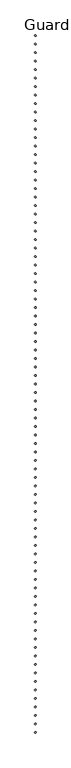
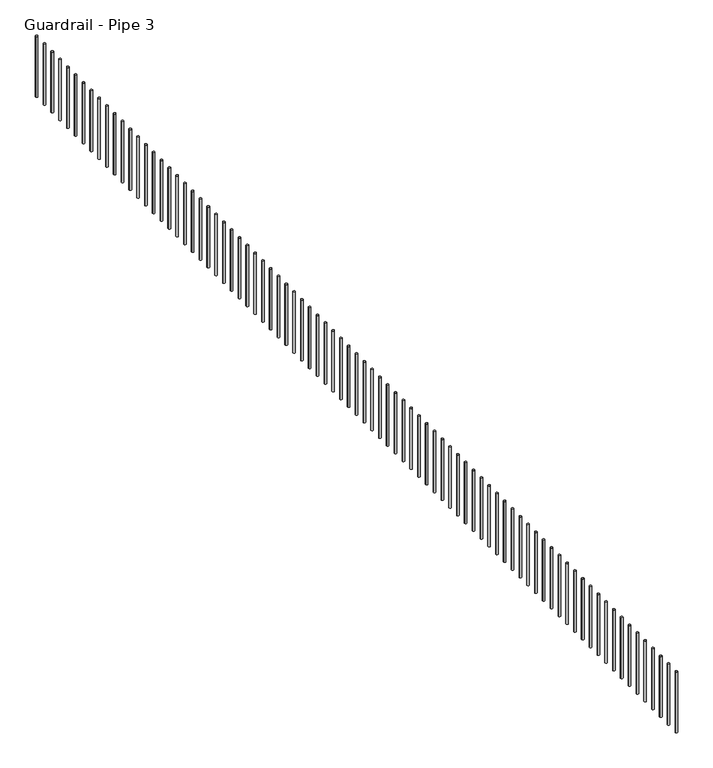
"""IFC4 building model written with IfcOpenShell, lengths in millimetres: railing geometry, Guardrail - Pipe 3."""

from ifc_helpers import new_model, si_unit, point, frame, frame_2d, origin, place, context, project, spatial, circle_curve, trimmed, segment, composite_curve, outline, extrude, source, transform, mapped, element, save


def guardrail_pipe_3_0e348c40(model_context):
    return source(origin(), model_context, "Body", "SweptSolid", [
        extrude(outline(composite_curve([segment(trimmed(circle_curve(frame_2d((239010.323562, -546313.9360133)), 12.7), [point((238997.623562, -546313.9360133))], [point((239023.023562, -546313.9360133))], False, "CARTESIAN"), True, "CONTINUOUS"), segment(trimmed(circle_curve(frame_2d((239010.323562, -546313.9360133)), 12.7), [point((239023.023562, -546313.9360133))], [point((238997.623562, -546313.9360133))], False, "CARTESIAN"), True, "CONTINUOUS")], self_intersect=False)), frame((0.0, 0.0, 4267.2), z_axis=(0.0, 0.0, 1.0), x_axis=(1.0, 0.0, 0.0)), (0.0, 0.0, 1.0), 723.9),
        extrude(outline(composite_curve([segment(trimmed(circle_curve(frame_2d((239010.323562, -546466.3360133)), 12.7), [point((238997.623562, -546466.3360133))], [point((239023.023562, -546466.3360133))], False, "CARTESIAN"), True, "CONTINUOUS"), segment(trimmed(circle_curve(frame_2d((239010.323562, -546466.3360133)), 12.7), [point((239023.023562, -546466.3360133))], [point((238997.623562, -546466.3360133))], False, "CARTESIAN"), True, "CONTINUOUS")], self_intersect=False)), frame((0.0, 0.0, 4267.2), z_axis=(0.0, 0.0, 1.0), x_axis=(1.0, 0.0, 0.0)), (0.0, 0.0, 1.0), 723.9),
        extrude(outline(composite_curve([segment(trimmed(circle_curve(frame_2d((239010.323562, -546618.7360133)), 12.7), [point((238997.623562, -546618.7360133))], [point((239023.023562, -546618.7360133))], False, "CARTESIAN"), True, "CONTINUOUS"), segment(trimmed(circle_curve(frame_2d((239010.323562, -546618.7360133)), 12.7), [point((239023.023562, -546618.7360133))], [point((238997.623562, -546618.7360133))], False, "CARTESIAN"), True, "CONTINUOUS")], self_intersect=False)), frame((0.0, 0.0, 4267.2), z_axis=(0.0, 0.0, 1.0), x_axis=(1.0, 0.0, 0.0)), (0.0, 0.0, 1.0), 723.9),
        extrude(outline(composite_curve([segment(trimmed(circle_curve(frame_2d((239010.323562, -546771.1360133)), 12.7), [point((238997.623562, -546771.1360133))], [point((239023.023562, -546771.1360133))], False, "CARTESIAN"), True, "CONTINUOUS"), segment(trimmed(circle_curve(frame_2d((239010.323562, -546771.1360133)), 12.7), [point((239023.023562, -546771.1360133))], [point((238997.623562, -546771.1360133))], False, "CARTESIAN"), True, "CONTINUOUS")], self_intersect=False)), frame((0.0, 0.0, 4267.2), z_axis=(0.0, 0.0, 1.0), x_axis=(1.0, 0.0, 0.0)), (0.0, 0.0, 1.0), 723.9),
        extrude(outline(composite_curve([segment(trimmed(circle_curve(frame_2d((239010.323562, -546923.5360133)), 12.7), [point((238997.623562, -546923.5360133))], [point((239023.023562, -546923.5360133))], False, "CARTESIAN"), True, "CONTINUOUS"), segment(trimmed(circle_curve(frame_2d((239010.323562, -546923.5360133)), 12.7), [point((239023.023562, -546923.5360133))], [point((238997.623562, -546923.5360133))], False, "CARTESIAN"), True, "CONTINUOUS")], self_intersect=False)), frame((0.0, 0.0, 4267.2), z_axis=(0.0, 0.0, 1.0), x_axis=(1.0, 0.0, 0.0)), (0.0, 0.0, 1.0), 723.9),
        extrude(outline(composite_curve([segment(trimmed(circle_curve(frame_2d((239010.323562, -547075.9360133)), 12.7), [point((238997.623562, -547075.9360133))], [point((239023.023562, -547075.9360133))], False, "CARTESIAN"), True, "CONTINUOUS"), segment(trimmed(circle_curve(frame_2d((239010.323562, -547075.9360133)), 12.7), [point((239023.023562, -547075.9360133))], [point((238997.623562, -547075.9360133))], False, "CARTESIAN"), True, "CONTINUOUS")], self_intersect=False)), frame((0.0, 0.0, 4267.2), z_axis=(0.0, 0.0, 1.0), x_axis=(1.0, 0.0, 0.0)), (0.0, 0.0, 1.0), 723.9),
        extrude(outline(composite_curve([segment(trimmed(circle_curve(frame_2d((239010.323562, -547228.3360133)), 12.7), [point((238997.623562, -547228.3360133))], [point((239023.023562, -547228.3360133))], False, "CARTESIAN"), True, "CONTINUOUS"), segment(trimmed(circle_curve(frame_2d((239010.323562, -547228.3360133)), 12.7), [point((239023.023562, -547228.3360133))], [point((238997.623562, -547228.3360133))], False, "CARTESIAN"), True, "CONTINUOUS")], self_intersect=False)), frame((0.0, 0.0, 4267.2), z_axis=(0.0, 0.0, 1.0), x_axis=(1.0, 0.0, 0.0)), (0.0, 0.0, 1.0), 723.9),
        extrude(outline(composite_curve([segment(trimmed(circle_curve(frame_2d((239010.323562, -547380.7360133)), 12.7), [point((238997.623562, -547380.7360133))], [point((239023.023562, -547380.7360133))], False, "CARTESIAN"), True, "CONTINUOUS"), segment(trimmed(circle_curve(frame_2d((239010.323562, -547380.7360133)), 12.7), [point((239023.023562, -547380.7360133))], [point((238997.623562, -547380.7360133))], False, "CARTESIAN"), True, "CONTINUOUS")], self_intersect=False)), frame((0.0, 0.0, 4267.2), z_axis=(0.0, 0.0, 1.0), x_axis=(1.0, 0.0, 0.0)), (0.0, 0.0, 1.0), 723.9),
        extrude(outline(composite_curve([segment(trimmed(circle_curve(frame_2d((239010.323562, -547533.1360133)), 12.7), [point((238997.623562, -547533.1360133))], [point((239023.023562, -547533.1360133))], False, "CARTESIAN"), True, "CONTINUOUS"), segment(trimmed(circle_curve(frame_2d((239010.323562, -547533.1360133)), 12.7), [point((239023.023562, -547533.1360133))], [point((238997.623562, -547533.1360133))], False, "CARTESIAN"), True, "CONTINUOUS")], self_intersect=False)), frame((0.0, 0.0, 4267.2), z_axis=(0.0, 0.0, 1.0), x_axis=(1.0, 0.0, 0.0)), (0.0, 0.0, 1.0), 723.9),
        extrude(outline(composite_curve([segment(trimmed(circle_curve(frame_2d((239010.323562, -547685.5360133)), 12.7), [point((238997.623562, -547685.5360133))], [point((239023.023562, -547685.5360133))], False, "CARTESIAN"), True, "CONTINUOUS"), segment(trimmed(circle_curve(frame_2d((239010.323562, -547685.5360133)), 12.7), [point((239023.023562, -547685.5360133))], [point((238997.623562, -547685.5360133))], False, "CARTESIAN"), True, "CONTINUOUS")], self_intersect=False)), frame((0.0, 0.0, 4267.2), z_axis=(0.0, 0.0, 1.0), x_axis=(1.0, 0.0, 0.0)), (0.0, 0.0, 1.0), 723.9),
        extrude(outline(composite_curve([segment(trimmed(circle_curve(frame_2d((239010.323562, -547837.9360133)), 12.7), [point((238997.623562, -547837.9360133))], [point((239023.023562, -547837.9360133))], False, "CARTESIAN"), True, "CONTINUOUS"), segment(trimmed(circle_curve(frame_2d((239010.323562, -547837.9360133)), 12.7), [point((239023.023562, -547837.9360133))], [point((238997.623562, -547837.9360133))], False, "CARTESIAN"), True, "CONTINUOUS")], self_intersect=False)), frame((0.0, 0.0, 4267.2), z_axis=(0.0, 0.0, 1.0), x_axis=(1.0, 0.0, 0.0)), (0.0, 0.0, 1.0), 723.9),
        extrude(outline(composite_curve([segment(trimmed(circle_curve(frame_2d((239010.323562, -547990.3360133)), 12.7), [point((238997.623562, -547990.3360133))], [point((239023.023562, -547990.3360133))], False, "CARTESIAN"), True, "CONTINUOUS"), segment(trimmed(circle_curve(frame_2d((239010.323562, -547990.3360133)), 12.7), [point((239023.023562, -547990.3360133))], [point((238997.623562, -547990.3360133))], False, "CARTESIAN"), True, "CONTINUOUS")], self_intersect=False)), frame((0.0, 0.0, 4267.2), z_axis=(0.0, 0.0, 1.0), x_axis=(1.0, 0.0, 0.0)), (0.0, 0.0, 1.0), 723.9),
        extrude(outline(composite_curve([segment(trimmed(circle_curve(frame_2d((239010.323562, -548142.7360133)), 12.7), [point((238997.623562, -548142.7360133))], [point((239023.023562, -548142.7360133))], False, "CARTESIAN"), True, "CONTINUOUS"), segment(trimmed(circle_curve(frame_2d((239010.323562, -548142.7360133)), 12.7), [point((239023.023562, -548142.7360133))], [point((238997.623562, -548142.7360133))], False, "CARTESIAN"), True, "CONTINUOUS")], self_intersect=False)), frame((0.0, 0.0, 4267.2), z_axis=(0.0, 0.0, 1.0), x_axis=(1.0, 0.0, 0.0)), (0.0, 0.0, 1.0), 723.9),
        extrude(outline(composite_curve([segment(trimmed(circle_curve(frame_2d((239010.323562, -548295.1360133)), 12.7), [point((238997.623562, -548295.1360133))], [point((239023.023562, -548295.1360133))], False, "CARTESIAN"), True, "CONTINUOUS"), segment(trimmed(circle_curve(frame_2d((239010.323562, -548295.1360133)), 12.7), [point((239023.023562, -548295.1360133))], [point((238997.623562, -548295.1360133))], False, "CARTESIAN"), True, "CONTINUOUS")], self_intersect=False)), frame((0.0, 0.0, 4267.2), z_axis=(0.0, 0.0, 1.0), x_axis=(1.0, 0.0, 0.0)), (0.0, 0.0, 1.0), 723.9),
        extrude(outline(composite_curve([segment(trimmed(circle_curve(frame_2d((239010.323562, -548447.5360133)), 12.7), [point((238997.623562, -548447.5360133))], [point((239023.023562, -548447.5360133))], False, "CARTESIAN"), True, "CONTINUOUS"), segment(trimmed(circle_curve(frame_2d((239010.323562, -548447.5360133)), 12.7), [point((239023.023562, -548447.5360133))], [point((238997.623562, -548447.5360133))], False, "CARTESIAN"), True, "CONTINUOUS")], self_intersect=False)), frame((0.0, 0.0, 4267.2), z_axis=(0.0, 0.0, 1.0), x_axis=(1.0, 0.0, 0.0)), (0.0, 0.0, 1.0), 723.9),
        extrude(outline(composite_curve([segment(trimmed(circle_curve(frame_2d((239010.323562, -548599.9360133)), 12.7), [point((238997.623562, -548599.9360133))], [point((239023.023562, -548599.9360133))], False, "CARTESIAN"), True, "CONTINUOUS"), segment(trimmed(circle_curve(frame_2d((239010.323562, -548599.9360133)), 12.7), [point((239023.023562, -548599.9360133))], [point((238997.623562, -548599.9360133))], False, "CARTESIAN"), True, "CONTINUOUS")], self_intersect=False)), frame((0.0, 0.0, 4267.2), z_axis=(0.0, 0.0, 1.0), x_axis=(1.0, 0.0, 0.0)), (0.0, 0.0, 1.0), 723.9),
        extrude(outline(composite_curve([segment(trimmed(circle_curve(frame_2d((239010.323562, -548752.3360133)), 12.7), [point((238997.623562, -548752.3360133))], [point((239023.023562, -548752.3360133))], False, "CARTESIAN"), True, "CONTINUOUS"), segment(trimmed(circle_curve(frame_2d((239010.323562, -548752.3360133)), 12.7), [point((239023.023562, -548752.3360133))], [point((238997.623562, -548752.3360133))], False, "CARTESIAN"), True, "CONTINUOUS")], self_intersect=False)), frame((0.0, 0.0, 4267.2), z_axis=(0.0, 0.0, 1.0), x_axis=(1.0, 0.0, 0.0)), (0.0, 0.0, 1.0), 723.9),
        extrude(outline(composite_curve([segment(trimmed(circle_curve(frame_2d((239010.323562, -548904.7360133)), 12.7), [point((238997.623562, -548904.7360133))], [point((239023.023562, -548904.7360133))], False, "CARTESIAN"), True, "CONTINUOUS"), segment(trimmed(circle_curve(frame_2d((239010.323562, -548904.7360133)), 12.7), [point((239023.023562, -548904.7360133))], [point((238997.623562, -548904.7360133))], False, "CARTESIAN"), True, "CONTINUOUS")], self_intersect=False)), frame((0.0, 0.0, 4267.2), z_axis=(0.0, 0.0, 1.0), x_axis=(1.0, 0.0, 0.0)), (0.0, 0.0, 1.0), 723.9),
        extrude(outline(composite_curve([segment(trimmed(circle_curve(frame_2d((239010.323562, -549057.1360133)), 12.7), [point((238997.623562, -549057.1360133))], [point((239023.023562, -549057.1360133))], False, "CARTESIAN"), True, "CONTINUOUS"), segment(trimmed(circle_curve(frame_2d((239010.323562, -549057.1360133)), 12.7), [point((239023.023562, -549057.1360133))], [point((238997.623562, -549057.1360133))], False, "CARTESIAN"), True, "CONTINUOUS")], self_intersect=False)), frame((0.0, 0.0, 4267.2), z_axis=(0.0, 0.0, 1.0), x_axis=(1.0, 0.0, 0.0)), (0.0, 0.0, 1.0), 723.9),
        extrude(outline(composite_curve([segment(trimmed(circle_curve(frame_2d((239010.323562, -549209.5360133)), 12.7), [point((238997.623562, -549209.5360133))], [point((239023.023562, -549209.5360133))], False, "CARTESIAN"), True, "CONTINUOUS"), segment(trimmed(circle_curve(frame_2d((239010.323562, -549209.5360133)), 12.7), [point((239023.023562, -549209.5360133))], [point((238997.623562, -549209.5360133))], False, "CARTESIAN"), True, "CONTINUOUS")], self_intersect=False)), frame((0.0, 0.0, 4267.2), z_axis=(0.0, 0.0, 1.0), x_axis=(1.0, 0.0, 0.0)), (0.0, 0.0, 1.0), 723.9),
        extrude(outline(composite_curve([segment(trimmed(circle_curve(frame_2d((239010.323562, -549361.9360133)), 12.7), [point((238997.623562, -549361.9360133))], [point((239023.023562, -549361.9360133))], False, "CARTESIAN"), True, "CONTINUOUS"), segment(trimmed(circle_curve(frame_2d((239010.323562, -549361.9360133)), 12.7), [point((239023.023562, -549361.9360133))], [point((238997.623562, -549361.9360133))], False, "CARTESIAN"), True, "CONTINUOUS")], self_intersect=False)), frame((0.0, 0.0, 4267.2), z_axis=(0.0, 0.0, 1.0), x_axis=(1.0, 0.0, 0.0)), (0.0, 0.0, 1.0), 723.9),
        extrude(outline(composite_curve([segment(trimmed(circle_curve(frame_2d((239010.323562, -549514.3360133)), 12.7), [point((238997.623562, -549514.3360133))], [point((239023.023562, -549514.3360133))], False, "CARTESIAN"), True, "CONTINUOUS"), segment(trimmed(circle_curve(frame_2d((239010.323562, -549514.3360133)), 12.7), [point((239023.023562, -549514.3360133))], [point((238997.623562, -549514.3360133))], False, "CARTESIAN"), True, "CONTINUOUS")], self_intersect=False)), frame((0.0, 0.0, 4267.2), z_axis=(0.0, 0.0, 1.0), x_axis=(1.0, 0.0, 0.0)), (0.0, 0.0, 1.0), 723.9),
        extrude(outline(composite_curve([segment(trimmed(circle_curve(frame_2d((239010.323562, -549666.7360133)), 12.7), [point((238997.623562, -549666.7360133))], [point((239023.023562, -549666.7360133))], False, "CARTESIAN"), True, "CONTINUOUS"), segment(trimmed(circle_curve(frame_2d((239010.323562, -549666.7360133)), 12.7), [point((239023.023562, -549666.7360133))], [point((238997.623562, -549666.7360133))], False, "CARTESIAN"), True, "CONTINUOUS")], self_intersect=False)), frame((0.0, 0.0, 4267.2), z_axis=(0.0, 0.0, 1.0), x_axis=(1.0, 0.0, 0.0)), (0.0, 0.0, 1.0), 723.9),
        extrude(outline(composite_curve([segment(trimmed(circle_curve(frame_2d((239010.323562, -549819.1360133)), 12.7), [point((238997.623562, -549819.1360133))], [point((239023.023562, -549819.1360133))], False, "CARTESIAN"), True, "CONTINUOUS"), segment(trimmed(circle_curve(frame_2d((239010.323562, -549819.1360133)), 12.7), [point((239023.023562, -549819.1360133))], [point((238997.623562, -549819.1360133))], False, "CARTESIAN"), True, "CONTINUOUS")], self_intersect=False)), frame((0.0, 0.0, 4267.2), z_axis=(0.0, 0.0, 1.0), x_axis=(1.0, 0.0, 0.0)), (0.0, 0.0, 1.0), 723.9),
        extrude(outline(composite_curve([segment(trimmed(circle_curve(frame_2d((239010.323562, -549971.5360133)), 12.7), [point((238997.623562, -549971.5360133))], [point((239023.023562, -549971.5360133))], False, "CARTESIAN"), True, "CONTINUOUS"), segment(trimmed(circle_curve(frame_2d((239010.323562, -549971.5360133)), 12.7), [point((239023.023562, -549971.5360133))], [point((238997.623562, -549971.5360133))], False, "CARTESIAN"), True, "CONTINUOUS")], self_intersect=False)), frame((0.0, 0.0, 4267.2), z_axis=(0.0, 0.0, 1.0), x_axis=(1.0, 0.0, 0.0)), (0.0, 0.0, 1.0), 723.9),
        extrude(outline(composite_curve([segment(trimmed(circle_curve(frame_2d((239010.323562, -550123.9360133)), 12.7), [point((238997.623562, -550123.9360133))], [point((239023.023562, -550123.9360133))], False, "CARTESIAN"), True, "CONTINUOUS"), segment(trimmed(circle_curve(frame_2d((239010.323562, -550123.9360133)), 12.7), [point((239023.023562, -550123.9360133))], [point((238997.623562, -550123.9360133))], False, "CARTESIAN"), True, "CONTINUOUS")], self_intersect=False)), frame((0.0, 0.0, 4267.2), z_axis=(0.0, 0.0, 1.0), x_axis=(1.0, 0.0, 0.0)), (0.0, 0.0, 1.0), 723.9),
        extrude(outline(composite_curve([segment(trimmed(circle_curve(frame_2d((239010.323562, -550276.3360133)), 12.7), [point((238997.623562, -550276.3360133))], [point((239023.023562, -550276.3360133))], False, "CARTESIAN"), True, "CONTINUOUS"), segment(trimmed(circle_curve(frame_2d((239010.323562, -550276.3360133)), 12.7), [point((239023.023562, -550276.3360133))], [point((238997.623562, -550276.3360133))], False, "CARTESIAN"), True, "CONTINUOUS")], self_intersect=False)), frame((0.0, 0.0, 4267.2), z_axis=(0.0, 0.0, 1.0), x_axis=(1.0, 0.0, 0.0)), (0.0, 0.0, 1.0), 723.9),
        extrude(outline(composite_curve([segment(trimmed(circle_curve(frame_2d((239010.323562, -550428.7360133)), 12.7), [point((238997.623562, -550428.7360133))], [point((239023.023562, -550428.7360133))], False, "CARTESIAN"), True, "CONTINUOUS"), segment(trimmed(circle_curve(frame_2d((239010.323562, -550428.7360133)), 12.7), [point((239023.023562, -550428.7360133))], [point((238997.623562, -550428.7360133))], False, "CARTESIAN"), True, "CONTINUOUS")], self_intersect=False)), frame((0.0, 0.0, 4267.2), z_axis=(0.0, 0.0, 1.0), x_axis=(1.0, 0.0, 0.0)), (0.0, 0.0, 1.0), 723.9),
        extrude(outline(composite_curve([segment(trimmed(circle_curve(frame_2d((239010.323562, -550581.1360133)), 12.7), [point((238997.623562, -550581.1360133))], [point((239023.023562, -550581.1360133))], False, "CARTESIAN"), True, "CONTINUOUS"), segment(trimmed(circle_curve(frame_2d((239010.323562, -550581.1360133)), 12.7), [point((239023.023562, -550581.1360133))], [point((238997.623562, -550581.1360133))], False, "CARTESIAN"), True, "CONTINUOUS")], self_intersect=False)), frame((0.0, 0.0, 4267.2), z_axis=(0.0, 0.0, 1.0), x_axis=(1.0, 0.0, 0.0)), (0.0, 0.0, 1.0), 723.9),
        extrude(outline(composite_curve([segment(trimmed(circle_curve(frame_2d((239010.323562, -550733.5360133)), 12.7), [point((238997.623562, -550733.5360133))], [point((239023.023562, -550733.5360133))], False, "CARTESIAN"), True, "CONTINUOUS"), segment(trimmed(circle_curve(frame_2d((239010.323562, -550733.5360133)), 12.7), [point((239023.023562, -550733.5360133))], [point((238997.623562, -550733.5360133))], False, "CARTESIAN"), True, "CONTINUOUS")], self_intersect=False)), frame((0.0, 0.0, 4267.2), z_axis=(0.0, 0.0, 1.0), x_axis=(1.0, 0.0, 0.0)), (0.0, 0.0, 1.0), 723.9),
        extrude(outline(composite_curve([segment(trimmed(circle_curve(frame_2d((239010.323562, -550885.9360133)), 12.7), [point((238997.623562, -550885.9360133))], [point((239023.023562, -550885.9360133))], False, "CARTESIAN"), True, "CONTINUOUS"), segment(trimmed(circle_curve(frame_2d((239010.323562, -550885.9360133)), 12.7), [point((239023.023562, -550885.9360133))], [point((238997.623562, -550885.9360133))], False, "CARTESIAN"), True, "CONTINUOUS")], self_intersect=False)), frame((0.0, 0.0, 4267.2), z_axis=(0.0, 0.0, 1.0), x_axis=(1.0, 0.0, 0.0)), (0.0, 0.0, 1.0), 723.9),
        extrude(outline(composite_curve([segment(trimmed(circle_curve(frame_2d((239010.323562, -551038.3360133)), 12.7), [point((238997.623562, -551038.3360133))], [point((239023.023562, -551038.3360133))], False, "CARTESIAN"), True, "CONTINUOUS"), segment(trimmed(circle_curve(frame_2d((239010.323562, -551038.3360133)), 12.7), [point((239023.023562, -551038.3360133))], [point((238997.623562, -551038.3360133))], False, "CARTESIAN"), True, "CONTINUOUS")], self_intersect=False)), frame((0.0, 0.0, 4267.2), z_axis=(0.0, 0.0, 1.0), x_axis=(1.0, 0.0, 0.0)), (0.0, 0.0, 1.0), 723.9),
        extrude(outline(composite_curve([segment(trimmed(circle_curve(frame_2d((239010.323562, -551190.7360133)), 12.7), [point((238997.623562, -551190.7360133))], [point((239023.023562, -551190.7360133))], False, "CARTESIAN"), True, "CONTINUOUS"), segment(trimmed(circle_curve(frame_2d((239010.323562, -551190.7360133)), 12.7), [point((239023.023562, -551190.7360133))], [point((238997.623562, -551190.7360133))], False, "CARTESIAN"), True, "CONTINUOUS")], self_intersect=False)), frame((0.0, 0.0, 4267.2), z_axis=(0.0, 0.0, 1.0), x_axis=(1.0, 0.0, 0.0)), (0.0, 0.0, 1.0), 723.9),
        extrude(outline(composite_curve([segment(trimmed(circle_curve(frame_2d((239010.323562, -551343.1360133)), 12.7), [point((238997.623562, -551343.1360133))], [point((239023.023562, -551343.1360133))], False, "CARTESIAN"), True, "CONTINUOUS"), segment(trimmed(circle_curve(frame_2d((239010.323562, -551343.1360133)), 12.7), [point((239023.023562, -551343.1360133))], [point((238997.623562, -551343.1360133))], False, "CARTESIAN"), True, "CONTINUOUS")], self_intersect=False)), frame((0.0, 0.0, 4267.2), z_axis=(0.0, 0.0, 1.0), x_axis=(1.0, 0.0, 0.0)), (0.0, 0.0, 1.0), 723.9),
        extrude(outline(composite_curve([segment(trimmed(circle_curve(frame_2d((239010.323562, -551495.5360133)), 12.7), [point((238997.623562, -551495.5360133))], [point((239023.023562, -551495.5360133))], False, "CARTESIAN"), True, "CONTINUOUS"), segment(trimmed(circle_curve(frame_2d((239010.323562, -551495.5360133)), 12.7), [point((239023.023562, -551495.5360133))], [point((238997.623562, -551495.5360133))], False, "CARTESIAN"), True, "CONTINUOUS")], self_intersect=False)), frame((0.0, 0.0, 4267.2), z_axis=(0.0, 0.0, 1.0), x_axis=(1.0, 0.0, 0.0)), (0.0, 0.0, 1.0), 723.9),
        extrude(outline(composite_curve([segment(trimmed(circle_curve(frame_2d((239010.323562, -551647.9360133)), 12.7), [point((238997.623562, -551647.9360133))], [point((239023.023562, -551647.9360133))], False, "CARTESIAN"), True, "CONTINUOUS"), segment(trimmed(circle_curve(frame_2d((239010.323562, -551647.9360133)), 12.7), [point((239023.023562, -551647.9360133))], [point((238997.623562, -551647.9360133))], False, "CARTESIAN"), True, "CONTINUOUS")], self_intersect=False)), frame((0.0, 0.0, 4267.2), z_axis=(0.0, 0.0, 1.0), x_axis=(1.0, 0.0, 0.0)), (0.0, 0.0, 1.0), 723.9),
        extrude(outline(composite_curve([segment(trimmed(circle_curve(frame_2d((239010.323562, -551800.3360133)), 12.7), [point((238997.623562, -551800.3360133))], [point((239023.023562, -551800.3360133))], False, "CARTESIAN"), True, "CONTINUOUS"), segment(trimmed(circle_curve(frame_2d((239010.323562, -551800.3360133)), 12.7), [point((239023.023562, -551800.3360133))], [point((238997.623562, -551800.3360133))], False, "CARTESIAN"), True, "CONTINUOUS")], self_intersect=False)), frame((0.0, 0.0, 4267.2), z_axis=(0.0, 0.0, 1.0), x_axis=(1.0, 0.0, 0.0)), (0.0, 0.0, 1.0), 723.9),
        extrude(outline(composite_curve([segment(trimmed(circle_curve(frame_2d((239010.323562, -551952.7360133)), 12.7), [point((238997.623562, -551952.7360133))], [point((239023.023562, -551952.7360133))], False, "CARTESIAN"), True, "CONTINUOUS"), segment(trimmed(circle_curve(frame_2d((239010.323562, -551952.7360133)), 12.7), [point((239023.023562, -551952.7360133))], [point((238997.623562, -551952.7360133))], False, "CARTESIAN"), True, "CONTINUOUS")], self_intersect=False)), frame((0.0, 0.0, 4267.2), z_axis=(0.0, 0.0, 1.0), x_axis=(1.0, 0.0, 0.0)), (0.0, 0.0, 1.0), 723.9),
        extrude(outline(composite_curve([segment(trimmed(circle_curve(frame_2d((239010.323562, -552105.1360133)), 12.7), [point((238997.623562, -552105.1360133))], [point((239023.023562, -552105.1360133))], False, "CARTESIAN"), True, "CONTINUOUS"), segment(trimmed(circle_curve(frame_2d((239010.323562, -552105.1360133)), 12.7), [point((239023.023562, -552105.1360133))], [point((238997.623562, -552105.1360133))], False, "CARTESIAN"), True, "CONTINUOUS")], self_intersect=False)), frame((0.0, 0.0, 4267.2), z_axis=(0.0, 0.0, 1.0), x_axis=(1.0, 0.0, 0.0)), (0.0, 0.0, 1.0), 723.9),
        extrude(outline(composite_curve([segment(trimmed(circle_curve(frame_2d((239010.323562, -552257.5360133)), 12.7), [point((238997.623562, -552257.5360133))], [point((239023.023562, -552257.5360133))], False, "CARTESIAN"), True, "CONTINUOUS"), segment(trimmed(circle_curve(frame_2d((239010.323562, -552257.5360133)), 12.7), [point((239023.023562, -552257.5360133))], [point((238997.623562, -552257.5360133))], False, "CARTESIAN"), True, "CONTINUOUS")], self_intersect=False)), frame((0.0, 0.0, 4267.2), z_axis=(0.0, 0.0, 1.0), x_axis=(1.0, 0.0, 0.0)), (0.0, 0.0, 1.0), 723.9),
        extrude(outline(composite_curve([segment(trimmed(circle_curve(frame_2d((239010.323562, -552409.9360133)), 12.7), [point((238997.623562, -552409.9360133))], [point((239023.023562, -552409.9360133))], False, "CARTESIAN"), True, "CONTINUOUS"), segment(trimmed(circle_curve(frame_2d((239010.323562, -552409.9360133)), 12.7), [point((239023.023562, -552409.9360133))], [point((238997.623562, -552409.9360133))], False, "CARTESIAN"), True, "CONTINUOUS")], self_intersect=False)), frame((0.0, 0.0, 4267.2), z_axis=(0.0, 0.0, 1.0), x_axis=(1.0, 0.0, 0.0)), (0.0, 0.0, 1.0), 723.9),
        extrude(outline(composite_curve([segment(trimmed(circle_curve(frame_2d((239010.323562, -552562.3360133)), 12.7), [point((238997.623562, -552562.3360133))], [point((239023.023562, -552562.3360133))], False, "CARTESIAN"), True, "CONTINUOUS"), segment(trimmed(circle_curve(frame_2d((239010.323562, -552562.3360133)), 12.7), [point((239023.023562, -552562.3360133))], [point((238997.623562, -552562.3360133))], False, "CARTESIAN"), True, "CONTINUOUS")], self_intersect=False)), frame((0.0, 0.0, 4267.2), z_axis=(0.0, 0.0, 1.0), x_axis=(1.0, 0.0, 0.0)), (0.0, 0.0, 1.0), 723.9),
        extrude(outline(composite_curve([segment(trimmed(circle_curve(frame_2d((239010.323562, -552714.7360133)), 12.7), [point((238997.623562, -552714.7360133))], [point((239023.023562, -552714.7360133))], False, "CARTESIAN"), True, "CONTINUOUS"), segment(trimmed(circle_curve(frame_2d((239010.323562, -552714.7360133)), 12.7), [point((239023.023562, -552714.7360133))], [point((238997.623562, -552714.7360133))], False, "CARTESIAN"), True, "CONTINUOUS")], self_intersect=False)), frame((0.0, 0.0, 4267.2), z_axis=(0.0, 0.0, 1.0), x_axis=(1.0, 0.0, 0.0)), (0.0, 0.0, 1.0), 723.9),
        extrude(outline(composite_curve([segment(trimmed(circle_curve(frame_2d((239010.323562, -552867.1360133)), 12.7), [point((238997.623562, -552867.1360133))], [point((239023.023562, -552867.1360133))], False, "CARTESIAN"), True, "CONTINUOUS"), segment(trimmed(circle_curve(frame_2d((239010.323562, -552867.1360133)), 12.7), [point((239023.023562, -552867.1360133))], [point((238997.623562, -552867.1360133))], False, "CARTESIAN"), True, "CONTINUOUS")], self_intersect=False)), frame((0.0, 0.0, 4267.2), z_axis=(0.0, 0.0, 1.0), x_axis=(1.0, 0.0, 0.0)), (0.0, 0.0, 1.0), 723.9),
        extrude(outline(composite_curve([segment(trimmed(circle_curve(frame_2d((239010.323562, -553019.5360133)), 12.7), [point((238997.623562, -553019.5360133))], [point((239023.023562, -553019.5360133))], False, "CARTESIAN"), True, "CONTINUOUS"), segment(trimmed(circle_curve(frame_2d((239010.323562, -553019.5360133)), 12.7), [point((239023.023562, -553019.5360133))], [point((238997.623562, -553019.5360133))], False, "CARTESIAN"), True, "CONTINUOUS")], self_intersect=False)), frame((0.0, 0.0, 4267.2), z_axis=(0.0, 0.0, 1.0), x_axis=(1.0, 0.0, 0.0)), (0.0, 0.0, 1.0), 723.9),
        extrude(outline(composite_curve([segment(trimmed(circle_curve(frame_2d((239010.323562, -553171.9360133)), 12.7), [point((238997.623562, -553171.9360133))], [point((239023.023562, -553171.9360133))], False, "CARTESIAN"), True, "CONTINUOUS"), segment(trimmed(circle_curve(frame_2d((239010.323562, -553171.9360133)), 12.7), [point((239023.023562, -553171.9360133))], [point((238997.623562, -553171.9360133))], False, "CARTESIAN"), True, "CONTINUOUS")], self_intersect=False)), frame((0.0, 0.0, 4267.2), z_axis=(0.0, 0.0, 1.0), x_axis=(1.0, 0.0, 0.0)), (0.0, 0.0, 1.0), 723.9),
        extrude(outline(composite_curve([segment(trimmed(circle_curve(frame_2d((239010.323562, -553324.3360133)), 12.7), [point((238997.623562, -553324.3360133))], [point((239023.023562, -553324.3360133))], False, "CARTESIAN"), True, "CONTINUOUS"), segment(trimmed(circle_curve(frame_2d((239010.323562, -553324.3360133)), 12.7), [point((239023.023562, -553324.3360133))], [point((238997.623562, -553324.3360133))], False, "CARTESIAN"), True, "CONTINUOUS")], self_intersect=False)), frame((0.0, 0.0, 4267.2), z_axis=(0.0, 0.0, 1.0), x_axis=(1.0, 0.0, 0.0)), (0.0, 0.0, 1.0), 723.9),
        extrude(outline(composite_curve([segment(trimmed(circle_curve(frame_2d((239010.323562, -553476.7360133)), 12.7), [point((238997.623562, -553476.7360133))], [point((239023.023562, -553476.7360133))], False, "CARTESIAN"), True, "CONTINUOUS"), segment(trimmed(circle_curve(frame_2d((239010.323562, -553476.7360133)), 12.7), [point((239023.023562, -553476.7360133))], [point((238997.623562, -553476.7360133))], False, "CARTESIAN"), True, "CONTINUOUS")], self_intersect=False)), frame((0.0, 0.0, 4267.2), z_axis=(0.0, 0.0, 1.0), x_axis=(1.0, 0.0, 0.0)), (0.0, 0.0, 1.0), 723.9),
        extrude(outline(composite_curve([segment(trimmed(circle_curve(frame_2d((239010.323562, -553629.1360133)), 12.7), [point((238997.623562, -553629.1360133))], [point((239023.023562, -553629.1360133))], False, "CARTESIAN"), True, "CONTINUOUS"), segment(trimmed(circle_curve(frame_2d((239010.323562, -553629.1360133)), 12.7), [point((239023.023562, -553629.1360133))], [point((238997.623562, -553629.1360133))], False, "CARTESIAN"), True, "CONTINUOUS")], self_intersect=False)), frame((0.0, 0.0, 4267.2), z_axis=(0.0, 0.0, 1.0), x_axis=(1.0, 0.0, 0.0)), (0.0, 0.0, 1.0), 723.9),
        extrude(outline(composite_curve([segment(trimmed(circle_curve(frame_2d((239010.323562, -553781.5360133)), 12.7), [point((238997.623562, -553781.5360133))], [point((239023.023562, -553781.5360133))], False, "CARTESIAN"), True, "CONTINUOUS"), segment(trimmed(circle_curve(frame_2d((239010.323562, -553781.5360133)), 12.7), [point((239023.023562, -553781.5360133))], [point((238997.623562, -553781.5360133))], False, "CARTESIAN"), True, "CONTINUOUS")], self_intersect=False)), frame((0.0, 0.0, 4267.2), z_axis=(0.0, 0.0, 1.0), x_axis=(1.0, 0.0, 0.0)), (0.0, 0.0, 1.0), 723.9),
        extrude(outline(composite_curve([segment(trimmed(circle_curve(frame_2d((239010.323562, -553933.9360133)), 12.7), [point((238997.623562, -553933.9360133))], [point((239023.023562, -553933.9360133))], False, "CARTESIAN"), True, "CONTINUOUS"), segment(trimmed(circle_curve(frame_2d((239010.323562, -553933.9360133)), 12.7), [point((239023.023562, -553933.9360133))], [point((238997.623562, -553933.9360133))], False, "CARTESIAN"), True, "CONTINUOUS")], self_intersect=False)), frame((0.0, 0.0, 4267.2), z_axis=(0.0, 0.0, 1.0), x_axis=(1.0, 0.0, 0.0)), (0.0, 0.0, 1.0), 723.9),
        extrude(outline(composite_curve([segment(trimmed(circle_curve(frame_2d((239010.323562, -554086.3360133)), 12.7), [point((238997.623562, -554086.3360133))], [point((239023.023562, -554086.3360133))], False, "CARTESIAN"), True, "CONTINUOUS"), segment(trimmed(circle_curve(frame_2d((239010.323562, -554086.3360133)), 12.7), [point((239023.023562, -554086.3360133))], [point((238997.623562, -554086.3360133))], False, "CARTESIAN"), True, "CONTINUOUS")], self_intersect=False)), frame((0.0, 0.0, 4267.2), z_axis=(0.0, 0.0, 1.0), x_axis=(1.0, 0.0, 0.0)), (0.0, 0.0, 1.0), 723.9),
        extrude(outline(composite_curve([segment(trimmed(circle_curve(frame_2d((239010.323562, -554238.7360133)), 12.7), [point((238997.623562, -554238.7360133))], [point((239023.023562, -554238.7360133))], False, "CARTESIAN"), True, "CONTINUOUS"), segment(trimmed(circle_curve(frame_2d((239010.323562, -554238.7360133)), 12.7), [point((239023.023562, -554238.7360133))], [point((238997.623562, -554238.7360133))], False, "CARTESIAN"), True, "CONTINUOUS")], self_intersect=False)), frame((0.0, 0.0, 4267.2), z_axis=(0.0, 0.0, 1.0), x_axis=(1.0, 0.0, 0.0)), (0.0, 0.0, 1.0), 723.9),
        extrude(outline(composite_curve([segment(trimmed(circle_curve(frame_2d((239010.323562, -554391.1360133)), 12.7), [point((238997.623562, -554391.1360133))], [point((239023.023562, -554391.1360133))], False, "CARTESIAN"), True, "CONTINUOUS"), segment(trimmed(circle_curve(frame_2d((239010.323562, -554391.1360133)), 12.7), [point((239023.023562, -554391.1360133))], [point((238997.623562, -554391.1360133))], False, "CARTESIAN"), True, "CONTINUOUS")], self_intersect=False)), frame((0.0, 0.0, 4267.2), z_axis=(0.0, 0.0, 1.0), x_axis=(1.0, 0.0, 0.0)), (0.0, 0.0, 1.0), 723.9),
        extrude(outline(composite_curve([segment(trimmed(circle_curve(frame_2d((239010.323562, -554543.5360133)), 12.7), [point((238997.623562, -554543.5360133))], [point((239023.023562, -554543.5360133))], False, "CARTESIAN"), True, "CONTINUOUS"), segment(trimmed(circle_curve(frame_2d((239010.323562, -554543.5360133)), 12.7), [point((239023.023562, -554543.5360133))], [point((238997.623562, -554543.5360133))], False, "CARTESIAN"), True, "CONTINUOUS")], self_intersect=False)), frame((0.0, 0.0, 4267.2), z_axis=(0.0, 0.0, 1.0), x_axis=(1.0, 0.0, 0.0)), (0.0, 0.0, 1.0), 723.9),
        extrude(outline(composite_curve([segment(trimmed(circle_curve(frame_2d((239010.323562, -554695.9360133)), 12.7), [point((238997.623562, -554695.9360133))], [point((239023.023562, -554695.9360133))], False, "CARTESIAN"), True, "CONTINUOUS"), segment(trimmed(circle_curve(frame_2d((239010.323562, -554695.9360133)), 12.7), [point((239023.023562, -554695.9360133))], [point((238997.623562, -554695.9360133))], False, "CARTESIAN"), True, "CONTINUOUS")], self_intersect=False)), frame((0.0, 0.0, 4267.2), z_axis=(0.0, 0.0, 1.0), x_axis=(1.0, 0.0, 0.0)), (0.0, 0.0, 1.0), 723.9),
        extrude(outline(composite_curve([segment(trimmed(circle_curve(frame_2d((239010.323562, -554848.3360133)), 12.7), [point((238997.623562, -554848.3360133))], [point((239023.023562, -554848.3360133))], False, "CARTESIAN"), True, "CONTINUOUS"), segment(trimmed(circle_curve(frame_2d((239010.323562, -554848.3360133)), 12.7), [point((239023.023562, -554848.3360133))], [point((238997.623562, -554848.3360133))], False, "CARTESIAN"), True, "CONTINUOUS")], self_intersect=False)), frame((0.0, 0.0, 4267.2), z_axis=(0.0, 0.0, 1.0), x_axis=(1.0, 0.0, 0.0)), (0.0, 0.0, 1.0), 723.9),
        extrude(outline(composite_curve([segment(trimmed(circle_curve(frame_2d((239010.323562, -555000.7360133)), 12.7), [point((238997.623562, -555000.7360133))], [point((239023.023562, -555000.7360133))], False, "CARTESIAN"), True, "CONTINUOUS"), segment(trimmed(circle_curve(frame_2d((239010.323562, -555000.7360133)), 12.7), [point((239023.023562, -555000.7360133))], [point((238997.623562, -555000.7360133))], False, "CARTESIAN"), True, "CONTINUOUS")], self_intersect=False)), frame((0.0, 0.0, 4267.2), z_axis=(0.0, 0.0, 1.0), x_axis=(1.0, 0.0, 0.0)), (0.0, 0.0, 1.0), 723.9),
        extrude(outline(composite_curve([segment(trimmed(circle_curve(frame_2d((239010.323562, -555153.1360133)), 12.7), [point((238997.623562, -555153.1360133))], [point((239023.023562, -555153.1360133))], False, "CARTESIAN"), True, "CONTINUOUS"), segment(trimmed(circle_curve(frame_2d((239010.323562, -555153.1360133)), 12.7), [point((239023.023562, -555153.1360133))], [point((238997.623562, -555153.1360133))], False, "CARTESIAN"), True, "CONTINUOUS")], self_intersect=False)), frame((0.0, 0.0, 4267.2), z_axis=(0.0, 0.0, 1.0), x_axis=(1.0, 0.0, 0.0)), (0.0, 0.0, 1.0), 723.9),
        extrude(outline(composite_curve([segment(trimmed(circle_curve(frame_2d((239010.323562, -555305.5360133)), 12.7), [point((238997.623562, -555305.5360133))], [point((239023.023562, -555305.5360133))], False, "CARTESIAN"), True, "CONTINUOUS"), segment(trimmed(circle_curve(frame_2d((239010.323562, -555305.5360133)), 12.7), [point((239023.023562, -555305.5360133))], [point((238997.623562, -555305.5360133))], False, "CARTESIAN"), True, "CONTINUOUS")], self_intersect=False)), frame((0.0, 0.0, 4267.2), z_axis=(0.0, 0.0, 1.0), x_axis=(1.0, 0.0, 0.0)), (0.0, 0.0, 1.0), 723.9),
        extrude(outline(composite_curve([segment(trimmed(circle_curve(frame_2d((239010.323562, -555457.9360133)), 12.7), [point((238997.623562, -555457.9360133))], [point((239023.023562, -555457.9360133))], False, "CARTESIAN"), True, "CONTINUOUS"), segment(trimmed(circle_curve(frame_2d((239010.323562, -555457.9360133)), 12.7), [point((239023.023562, -555457.9360133))], [point((238997.623562, -555457.9360133))], False, "CARTESIAN"), True, "CONTINUOUS")], self_intersect=False)), frame((0.0, 0.0, 4267.2), z_axis=(0.0, 0.0, 1.0), x_axis=(1.0, 0.0, 0.0)), (0.0, 0.0, 1.0), 723.9),
        extrude(outline(composite_curve([segment(trimmed(circle_curve(frame_2d((239010.323562, -555610.3360133)), 12.7), [point((238997.623562, -555610.3360133))], [point((239023.023562, -555610.3360133))], False, "CARTESIAN"), True, "CONTINUOUS"), segment(trimmed(circle_curve(frame_2d((239010.323562, -555610.3360133)), 12.7), [point((239023.023562, -555610.3360133))], [point((238997.623562, -555610.3360133))], False, "CARTESIAN"), True, "CONTINUOUS")], self_intersect=False)), frame((0.0, 0.0, 4267.2), z_axis=(0.0, 0.0, 1.0), x_axis=(1.0, 0.0, 0.0)), (0.0, 0.0, 1.0), 723.9),
        extrude(outline(composite_curve([segment(trimmed(circle_curve(frame_2d((239010.323562, -555762.7360133)), 12.7), [point((238997.623562, -555762.7360133))], [point((239023.023562, -555762.7360133))], False, "CARTESIAN"), True, "CONTINUOUS"), segment(trimmed(circle_curve(frame_2d((239010.323562, -555762.7360133)), 12.7), [point((239023.023562, -555762.7360133))], [point((238997.623562, -555762.7360133))], False, "CARTESIAN"), True, "CONTINUOUS")], self_intersect=False)), frame((0.0, 0.0, 4267.2), z_axis=(0.0, 0.0, 1.0), x_axis=(1.0, 0.0, 0.0)), (0.0, 0.0, 1.0), 723.9),
        extrude(outline(composite_curve([segment(trimmed(circle_curve(frame_2d((239010.323562, -555915.1360133)), 12.7), [point((238997.623562, -555915.1360133))], [point((239023.023562, -555915.1360133))], False, "CARTESIAN"), True, "CONTINUOUS"), segment(trimmed(circle_curve(frame_2d((239010.323562, -555915.1360133)), 12.7), [point((239023.023562, -555915.1360133))], [point((238997.623562, -555915.1360133))], False, "CARTESIAN"), True, "CONTINUOUS")], self_intersect=False)), frame((0.0, 0.0, 4267.2), z_axis=(0.0, 0.0, 1.0), x_axis=(1.0, 0.0, 0.0)), (0.0, 0.0, 1.0), 723.9),
        extrude(outline(composite_curve([segment(trimmed(circle_curve(frame_2d((239010.323562, -556067.5360133)), 12.7), [point((238997.623562, -556067.5360133))], [point((239023.023562, -556067.5360133))], False, "CARTESIAN"), True, "CONTINUOUS"), segment(trimmed(circle_curve(frame_2d((239010.323562, -556067.5360133)), 12.7), [point((239023.023562, -556067.5360133))], [point((238997.623562, -556067.5360133))], False, "CARTESIAN"), True, "CONTINUOUS")], self_intersect=False)), frame((0.0, 0.0, 4267.2), z_axis=(0.0, 0.0, 1.0), x_axis=(1.0, 0.0, 0.0)), (0.0, 0.0, 1.0), 723.9),
        extrude(outline(composite_curve([segment(trimmed(circle_curve(frame_2d((239010.323562, -556219.9360133)), 12.7), [point((238997.623562, -556219.9360133))], [point((239023.023562, -556219.9360133))], False, "CARTESIAN"), True, "CONTINUOUS"), segment(trimmed(circle_curve(frame_2d((239010.323562, -556219.9360133)), 12.7), [point((239023.023562, -556219.9360133))], [point((238997.623562, -556219.9360133))], False, "CARTESIAN"), True, "CONTINUOUS")], self_intersect=False)), frame((0.0, 0.0, 4267.2), z_axis=(0.0, 0.0, 1.0), x_axis=(1.0, 0.0, 0.0)), (0.0, 0.0, 1.0), 723.9),
        extrude(outline(composite_curve([segment(trimmed(circle_curve(frame_2d((239010.323562, -556372.3360133)), 12.7), [point((238997.623562, -556372.3360133))], [point((239023.023562, -556372.3360133))], False, "CARTESIAN"), True, "CONTINUOUS"), segment(trimmed(circle_curve(frame_2d((239010.323562, -556372.3360133)), 12.7), [point((239023.023562, -556372.3360133))], [point((238997.623562, -556372.3360133))], False, "CARTESIAN"), True, "CONTINUOUS")], self_intersect=False)), frame((0.0, 0.0, 4267.2), z_axis=(0.0, 0.0, 1.0), x_axis=(1.0, 0.0, 0.0)), (0.0, 0.0, 1.0), 723.9),
        extrude(outline(composite_curve([segment(trimmed(circle_curve(frame_2d((239010.323562, -556524.7360133)), 12.7), [point((238997.623562, -556524.7360133))], [point((239023.023562, -556524.7360133))], False, "CARTESIAN"), True, "CONTINUOUS"), segment(trimmed(circle_curve(frame_2d((239010.323562, -556524.7360133)), 12.7), [point((239023.023562, -556524.7360133))], [point((238997.623562, -556524.7360133))], False, "CARTESIAN"), True, "CONTINUOUS")], self_intersect=False)), frame((0.0, 0.0, 4267.2), z_axis=(0.0, 0.0, 1.0), x_axis=(1.0, 0.0, 0.0)), (0.0, 0.0, 1.0), 723.9),
        extrude(outline(composite_curve([segment(trimmed(circle_curve(frame_2d((239010.323562, -556677.1360133)), 12.7), [point((238997.623562, -556677.1360133))], [point((239023.023562, -556677.1360133))], False, "CARTESIAN"), True, "CONTINUOUS"), segment(trimmed(circle_curve(frame_2d((239010.323562, -556677.1360133)), 12.7), [point((239023.023562, -556677.1360133))], [point((238997.623562, -556677.1360133))], False, "CARTESIAN"), True, "CONTINUOUS")], self_intersect=False)), frame((0.0, 0.0, 4267.2), z_axis=(0.0, 0.0, 1.0), x_axis=(1.0, 0.0, 0.0)), (0.0, 0.0, 1.0), 723.9),
        extrude(outline(composite_curve([segment(trimmed(circle_curve(frame_2d((239010.323562, -556829.5360133)), 12.7), [point((238997.623562, -556829.5360133))], [point((239023.023562, -556829.5360133))], False, "CARTESIAN"), True, "CONTINUOUS"), segment(trimmed(circle_curve(frame_2d((239010.323562, -556829.5360133)), 12.7), [point((239023.023562, -556829.5360133))], [point((238997.623562, -556829.5360133))], False, "CARTESIAN"), True, "CONTINUOUS")], self_intersect=False)), frame((0.0, 0.0, 4267.2), z_axis=(0.0, 0.0, 1.0), x_axis=(1.0, 0.0, 0.0)), (0.0, 0.0, 1.0), 723.9),
        extrude(outline(composite_curve([segment(trimmed(circle_curve(frame_2d((239010.323562, -556981.9360133)), 12.7), [point((238997.623562, -556981.9360133))], [point((239023.023562, -556981.9360133))], False, "CARTESIAN"), True, "CONTINUOUS"), segment(trimmed(circle_curve(frame_2d((239010.323562, -556981.9360133)), 12.7), [point((239023.023562, -556981.9360133))], [point((238997.623562, -556981.9360133))], False, "CARTESIAN"), True, "CONTINUOUS")], self_intersect=False)), frame((0.0, 0.0, 4267.2), z_axis=(0.0, 0.0, 1.0), x_axis=(1.0, 0.0, 0.0)), (0.0, 0.0, 1.0), 723.9),
        extrude(outline(composite_curve([segment(trimmed(circle_curve(frame_2d((239010.323562, -557134.3360133)), 12.7), [point((238997.623562, -557134.3360133))], [point((239023.023562, -557134.3360133))], False, "CARTESIAN"), True, "CONTINUOUS"), segment(trimmed(circle_curve(frame_2d((239010.323562, -557134.3360133)), 12.7), [point((239023.023562, -557134.3360133))], [point((238997.623562, -557134.3360133))], False, "CARTESIAN"), True, "CONTINUOUS")], self_intersect=False)), frame((0.0, 0.0, 4267.2), z_axis=(0.0, 0.0, 1.0), x_axis=(1.0, 0.0, 0.0)), (0.0, 0.0, 1.0), 723.9),
        extrude(outline(composite_curve([segment(trimmed(circle_curve(frame_2d((239010.323562, -557286.7360133)), 12.7), [point((238997.623562, -557286.7360133))], [point((239023.023562, -557286.7360133))], False, "CARTESIAN"), True, "CONTINUOUS"), segment(trimmed(circle_curve(frame_2d((239010.323562, -557286.7360133)), 12.7), [point((239023.023562, -557286.7360133))], [point((238997.623562, -557286.7360133))], False, "CARTESIAN"), True, "CONTINUOUS")], self_intersect=False)), frame((0.0, 0.0, 4267.2), z_axis=(0.0, 0.0, 1.0), x_axis=(1.0, 0.0, 0.0)), (0.0, 0.0, 1.0), 723.9),
        extrude(outline(composite_curve([segment(trimmed(circle_curve(frame_2d((239010.323562, -557439.1360133)), 12.7), [point((238997.623562, -557439.1360133))], [point((239023.023562, -557439.1360133))], False, "CARTESIAN"), True, "CONTINUOUS"), segment(trimmed(circle_curve(frame_2d((239010.323562, -557439.1360133)), 12.7), [point((239023.023562, -557439.1360133))], [point((238997.623562, -557439.1360133))], False, "CARTESIAN"), True, "CONTINUOUS")], self_intersect=False)), frame((0.0, 0.0, 4267.2), z_axis=(0.0, 0.0, 1.0), x_axis=(1.0, 0.0, 0.0)), (0.0, 0.0, 1.0), 723.9),
        extrude(outline(composite_curve([segment(trimmed(circle_curve(frame_2d((239010.323562, -557591.5360133)), 12.7), [point((238997.623562, -557591.5360133))], [point((239023.023562, -557591.5360133))], False, "CARTESIAN"), True, "CONTINUOUS"), segment(trimmed(circle_curve(frame_2d((239010.323562, -557591.5360133)), 12.7), [point((239023.023562, -557591.5360133))], [point((238997.623562, -557591.5360133))], False, "CARTESIAN"), True, "CONTINUOUS")], self_intersect=False)), frame((0.0, 0.0, 4267.2), z_axis=(0.0, 0.0, 1.0), x_axis=(1.0, 0.0, 0.0)), (0.0, 0.0, 1.0), 723.9),
        extrude(outline(composite_curve([segment(trimmed(circle_curve(frame_2d((239010.323562, -557743.9360133)), 12.7), [point((238997.623562, -557743.9360133))], [point((239023.023562, -557743.9360133))], False, "CARTESIAN"), True, "CONTINUOUS"), segment(trimmed(circle_curve(frame_2d((239010.323562, -557743.9360133)), 12.7), [point((239023.023562, -557743.9360133))], [point((238997.623562, -557743.9360133))], False, "CARTESIAN"), True, "CONTINUOUS")], self_intersect=False)), frame((0.0, 0.0, 4267.2), z_axis=(0.0, 0.0, 1.0), x_axis=(1.0, 0.0, 0.0)), (0.0, 0.0, 1.0), 723.9),
        extrude(outline(composite_curve([segment(trimmed(circle_curve(frame_2d((239010.323562, -557896.3360133)), 12.7), [point((238997.623562, -557896.3360133))], [point((239023.023562, -557896.3360133))], False, "CARTESIAN"), True, "CONTINUOUS"), segment(trimmed(circle_curve(frame_2d((239010.323562, -557896.3360133)), 12.7), [point((239023.023562, -557896.3360133))], [point((238997.623562, -557896.3360133))], False, "CARTESIAN"), True, "CONTINUOUS")], self_intersect=False)), frame((0.0, 0.0, 4267.2), z_axis=(0.0, 0.0, 1.0), x_axis=(1.0, 0.0, 0.0)), (0.0, 0.0, 1.0), 723.9),
        extrude(outline(composite_curve([segment(trimmed(circle_curve(frame_2d((239010.323562, -558048.7360133)), 12.7), [point((238997.623562, -558048.7360133))], [point((239023.023562, -558048.7360133))], False, "CARTESIAN"), True, "CONTINUOUS"), segment(trimmed(circle_curve(frame_2d((239010.323562, -558048.7360133)), 12.7), [point((239023.023562, -558048.7360133))], [point((238997.623562, -558048.7360133))], False, "CARTESIAN"), True, "CONTINUOUS")], self_intersect=False)), frame((0.0, 0.0, 4267.2), z_axis=(0.0, 0.0, 1.0), x_axis=(1.0, 0.0, 0.0)), (0.0, 0.0, 1.0), 723.9),
        extrude(outline(composite_curve([segment(trimmed(circle_curve(frame_2d((239010.323562, -558201.1360133)), 12.7), [point((238997.623562, -558201.1360133))], [point((239023.023562, -558201.1360133))], False, "CARTESIAN"), True, "CONTINUOUS"), segment(trimmed(circle_curve(frame_2d((239010.323562, -558201.1360133)), 12.7), [point((239023.023562, -558201.1360133))], [point((238997.623562, -558201.1360133))], False, "CARTESIAN"), True, "CONTINUOUS")], self_intersect=False)), frame((0.0, 0.0, 4267.2), z_axis=(0.0, 0.0, 1.0), x_axis=(1.0, 0.0, 0.0)), (0.0, 0.0, 1.0), 723.9),
        extrude(outline(composite_curve([segment(trimmed(circle_curve(frame_2d((239010.323562, -558353.5360133)), 12.7), [point((238997.623562, -558353.5360133))], [point((239023.023562, -558353.5360133))], False, "CARTESIAN"), True, "CONTINUOUS"), segment(trimmed(circle_curve(frame_2d((239010.323562, -558353.5360133)), 12.7), [point((239023.023562, -558353.5360133))], [point((238997.623562, -558353.5360133))], False, "CARTESIAN"), True, "CONTINUOUS")], self_intersect=False)), frame((0.0, 0.0, 4267.2), z_axis=(0.0, 0.0, 1.0), x_axis=(1.0, 0.0, 0.0)), (0.0, 0.0, 1.0), 723.9),
        extrude(outline(composite_curve([segment(trimmed(circle_curve(frame_2d((239010.323562, -558505.9360133)), 12.7), [point((238997.623562, -558505.9360133))], [point((239023.023562, -558505.9360133))], False, "CARTESIAN"), True, "CONTINUOUS"), segment(trimmed(circle_curve(frame_2d((239010.323562, -558505.9360133)), 12.7), [point((239023.023562, -558505.9360133))], [point((238997.623562, -558505.9360133))], False, "CARTESIAN"), True, "CONTINUOUS")], self_intersect=False)), frame((0.0, 0.0, 4267.2), z_axis=(0.0, 0.0, 1.0), x_axis=(1.0, 0.0, 0.0)), (0.0, 0.0, 1.0), 723.9),
        extrude(outline(composite_curve([segment(trimmed(circle_curve(frame_2d((239010.323562, -558658.3360133)), 12.7), [point((238997.623562, -558658.3360133))], [point((239023.023562, -558658.3360133))], False, "CARTESIAN"), True, "CONTINUOUS"), segment(trimmed(circle_curve(frame_2d((239010.323562, -558658.3360133)), 12.7), [point((239023.023562, -558658.3360133))], [point((238997.623562, -558658.3360133))], False, "CARTESIAN"), True, "CONTINUOUS")], self_intersect=False)), frame((0.0, 0.0, 4267.2), z_axis=(0.0, 0.0, 1.0), x_axis=(1.0, 0.0, 0.0)), (0.0, 0.0, 1.0), 723.9),
        extrude(outline(composite_curve([segment(trimmed(circle_curve(frame_2d((239010.323562, -558810.7360133)), 12.7), [point((238997.623562, -558810.7360133))], [point((239023.023562, -558810.7360133))], False, "CARTESIAN"), True, "CONTINUOUS"), segment(trimmed(circle_curve(frame_2d((239010.323562, -558810.7360133)), 12.7), [point((239023.023562, -558810.7360133))], [point((238997.623562, -558810.7360133))], False, "CARTESIAN"), True, "CONTINUOUS")], self_intersect=False)), frame((0.0, 0.0, 4267.2), z_axis=(0.0, 0.0, 1.0), x_axis=(1.0, 0.0, 0.0)), (0.0, 0.0, 1.0), 723.9),
    ])


if __name__ == "__main__":
    model = new_model("IFC4")
    model_context = context("Model", 3, world=origin())
    ifc_project = project(units=[si_unit("LENGTHUNIT", "METRE", prefix="MILLI")], contexts=[model_context])
    site = spatial("IfcSite", under=ifc_project)
    building = spatial("IfcBuilding", under=site)
    placement = place(None, origin())
    guardrail_pipe_3_shape = guardrail_pipe_3_0e348c40(model_context)
    element("IfcRailing", 1, ObjectType="Guardrail - Pipe 3", at=placement, inside=building, context=model_context, shape_type="MappedRepresentation", body=[
        mapped(guardrail_pipe_3_shape, transform((0.0, 0.0, 0.0), x_axis=(1.0, 0.0, 0.0), y_axis=(0.0, 1.0, 0.0), z_axis=(0.0, 0.0, 1.0))),
    ])
    save(model, "model.ifc")
